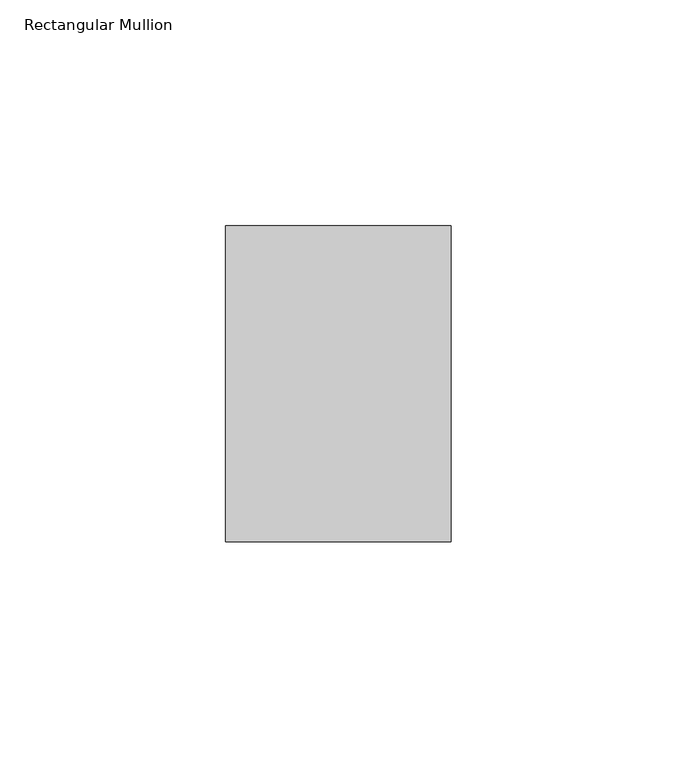
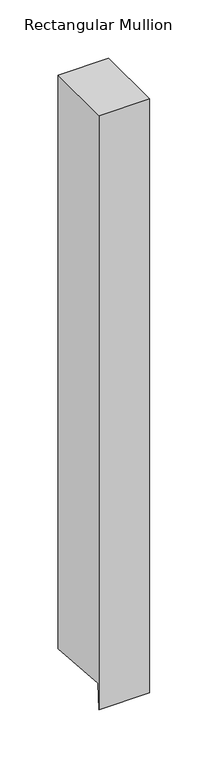
"""IFC4 building model written with IfcOpenShell, lengths in millimetres: member geometry, Rectangular Mullion."""

from ifc_helpers import new_model, si_unit, frame, origin, place, context, project, spatial, polyline, outline, extrude, source, transform, mapped, element, save


def rectangular_mullion_9f1d0a02(model_context):
    return source(origin(), model_context, "Body", "SweptSolid", [
        extrude(outline(polyline([(-35.0, 0.0), (35.0, 0.0), (35.0, -599.8929061), (-33.0345861, -594.7961711), (-35.0, -621.0318144), (-35.0, 0.0)])), frame((-50.0, 0.0, 0.0), z_axis=(1.0, 0.0, 0.0), x_axis=(0.0, 1.0, 0.0)), (0.0, 0.0, 1.0), 50.0),
    ])


if __name__ == "__main__":
    model = new_model("IFC4")
    model_context = context("Model", 3, world=origin())
    ifc_project = project(units=[si_unit("LENGTHUNIT", "METRE", prefix="MILLI")], contexts=[model_context])
    site = spatial("IfcSite", under=ifc_project)
    building = spatial("IfcBuilding", under=site)
    placement = place(None, origin())
    rectangular_mullion_shape = rectangular_mullion_9f1d0a02(model_context)
    element("IfcMember", 1, ObjectType="Rectangular Mullion", at=placement, inside=building, context=model_context, shape_type="MappedRepresentation", body=[
        mapped(rectangular_mullion_shape, transform((0.0, 0.0, 0.0), x_axis=(1.0, 0.0, 0.0), y_axis=(0.0, 1.0, 0.0), z_axis=(0.0, 0.0, 1.0))),
    ])
    save(model, "model.ifc")
